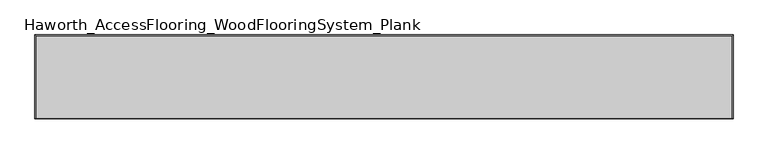
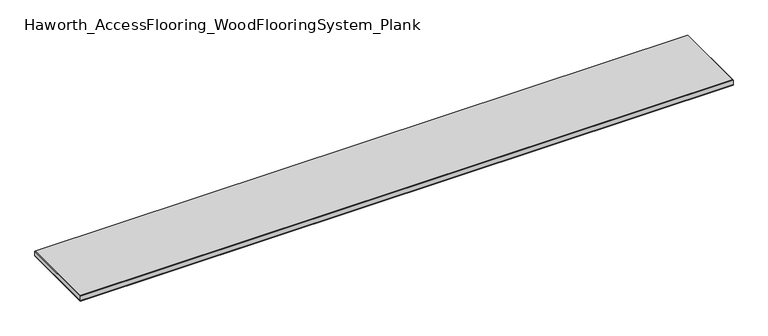
"""IFC4 building model written with IfcOpenShell, lengths in millimetres: proxy geometry, Haworth_AccessFlooring_WoodFlooringSystem_Plank."""

from ifc_helpers import new_model, si_unit, frame, origin, place, context, project, spatial, polyline, outline, extrude, faceted_brep, source, transform, mapped, element, save


def haworth_accessflooring_woodflooringsystem_plank_52c98caf(model_context):
    return source(origin(), model_context, "Body", "SolidModel", [
        extrude(outline(polyline([(914.4, -109.9839844), (-914.4, -109.9839844), (-914.4, 109.9839844), (914.4, 109.9839844), (914.4, -109.9839844)])), frame((0.0, 0.0, -15.875), z_axis=(0.0, 0.0, 1.0), x_axis=(1.0, 0.0, 0.0)), (0.0, 0.0, 1.0), 0.9921875),
        faceted_brep([(914.4, -109.9839844, -14.8828125), (-914.4, -109.9839844, -14.8828125), (-914.4, 109.9839844, -14.8828125), (914.4, 109.9839844, -14.8828125), (914.4, -109.9839844, -1.5875), (-914.4, -109.9839844, -1.5875), (-914.4, 109.9839844, -1.5875), (914.4, 109.9839844, -1.5875), (912.8125, -108.3964844, 0.0), (912.8125, 108.3964844, 0.0), (-912.8125, 108.3964844, 0.0), (-912.8125, -108.3964844, 0.0)], [[[0, 1, 2, 3]], [[0, 4, 5, 1]], [[1, 5, 6, 2]], [[2, 6, 7, 3]], [[3, 7, 4, 0]], [[8, 9, 10, 11]], [[11, 5, 4, 8]], [[10, 6, 5, 11]], [[9, 7, 6, 10]], [[8, 4, 7, 9]]]),
    ])


if __name__ == "__main__":
    model = new_model("IFC4")
    model_context = context("Model", 3, world=origin())
    ifc_project = project(units=[si_unit("LENGTHUNIT", "METRE", prefix="MILLI")], contexts=[model_context])
    site = spatial("IfcSite", under=ifc_project)
    building = spatial("IfcBuilding", under=site)
    placement = place(None, origin())
    haworth_accessflooring_woodflooringsystem_plank_shape = haworth_accessflooring_woodflooringsystem_plank_52c98caf(model_context)
    element("IfcBuildingElementProxy", 1, Name="Haworth_AccessFlooring_WoodFlooringSystem_Plank", ObjectType="Haworth_AccessFlooring_WoodFlooringSystem_Plank", at=placement, inside=building, context=model_context, shape_type="MappedRepresentation", body=[
        mapped(haworth_accessflooring_woodflooringsystem_plank_shape, transform((0.0, 0.0, 0.0), x_axis=(1.0, 0.0, 0.0), y_axis=(0.0, 1.0, 0.0), z_axis=(0.0, 0.0, 1.0))),
    ])
    save(model, "model.ifc")
